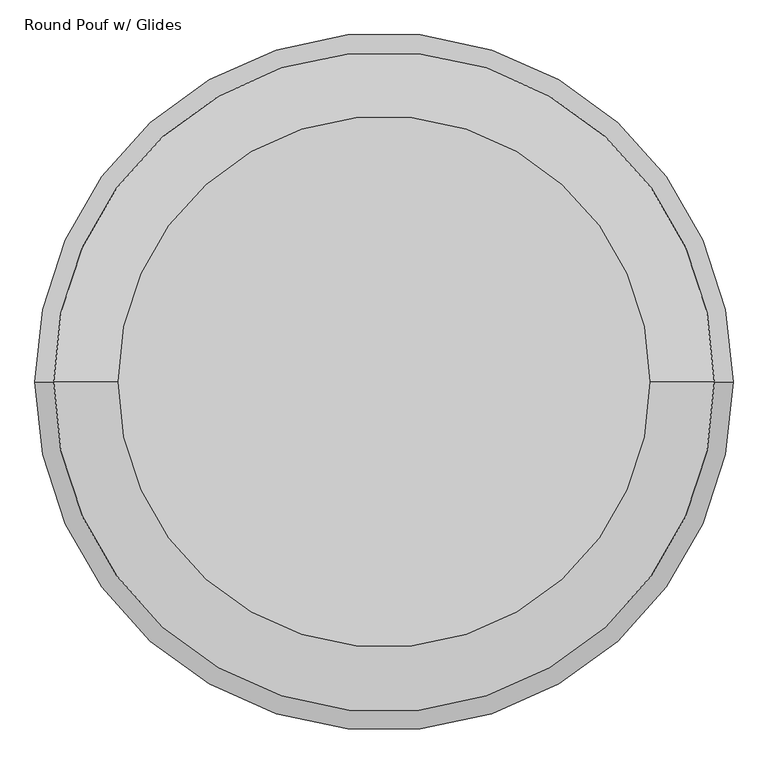
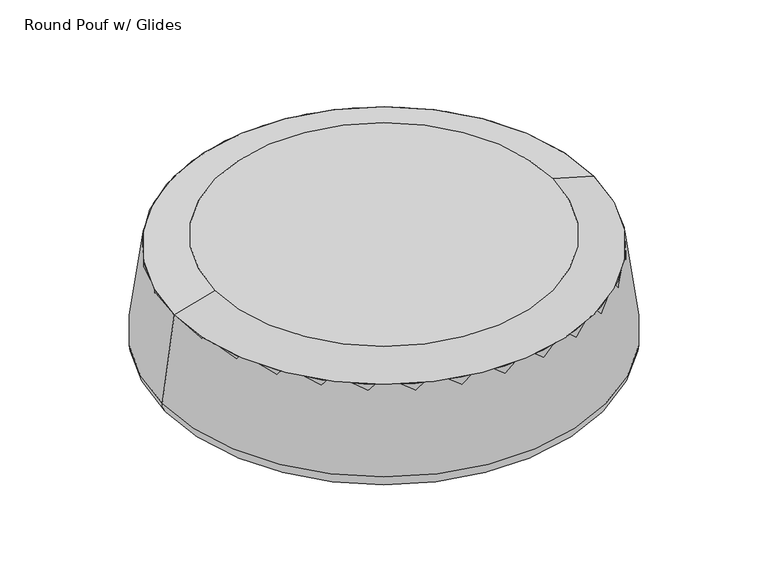
"""IFC4 building model written with IfcOpenShell, lengths in millimetres: furniture geometry, Round Pouf w/ Glides."""

from ifc_helpers import new_model, si_unit, point, frame, frame_2d, origin, origin_with_axes, place, context, project, spatial, polyline, circle_curve, ellipse_curve, trimmed, segment, composite_curve, outline, extrude, source, transform, mapped, element, save
from ifc_brep_helpers import plane_surface, revolved_surface, spline_surface, advanced_brep


def round_pouf_w_glides_9ab8543e(model_context):
    return source(origin(), model_context, "Body", "SolidModel", [
        extrude(outline(composite_curve([segment(trimmed(circle_curve(frame_2d((-534.4558949, 308.4837307)), 31.6215074), [point((-566.0774022, 308.4837307))], [point((-502.8343875, 308.4837307))], False, "CARTESIAN"), True, "CONTINUOUS"), segment(trimmed(circle_curve(frame_2d((-534.4558949, 308.4837307)), 31.6215074), [point((-502.8343875, 308.4837307))], [point((-566.0774022, 308.4837307))], False, "CARTESIAN"), True, "CONTINUOUS")], self_intersect=False)), origin_with_axes(), (0.0, 0.0, 1.0), 9.7030891),
        extrude(outline(composite_curve([segment(trimmed(circle_curve(frame_2d((-0.0078356, 617.0474615)), 31.6215074), [point((-31.6293429, 617.0474615))], [point((31.6136718, 617.0474615))], False, "CARTESIAN"), True, "CONTINUOUS"), segment(trimmed(circle_curve(frame_2d((-0.0078356, 617.0474615)), 31.6215074), [point((31.6136718, 617.0474615))], [point((-31.6293429, 617.0474615))], False, "CARTESIAN"), True, "CONTINUOUS")], self_intersect=False)), origin_with_axes(), (0.0, 0.0, 1.0), 9.7030891),
        extrude(outline(composite_curve([segment(trimmed(circle_curve(frame_2d((534.4402008, 308.4837439)), 31.6215074), [point((502.8186934, 308.4837439))], [point((566.0617081, 308.4837439))], False, "CARTESIAN"), True, "CONTINUOUS"), segment(trimmed(circle_curve(frame_2d((534.4402008, 308.4837439)), 31.6215074), [point((566.0617081, 308.4837439))], [point((502.8186934, 308.4837439))], False, "CARTESIAN"), True, "CONTINUOUS")], self_intersect=False)), origin_with_axes(), (0.0, 0.0, 1.0), 9.7030891),
        extrude(outline(composite_curve([segment(trimmed(circle_curve(frame_2d((534.4402008, -308.6437036)), 31.6215074), [point((502.8186934, -308.6437036))], [point((566.0617081, -308.6437036))], False, "CARTESIAN"), True, "CONTINUOUS"), segment(trimmed(circle_curve(frame_2d((534.4402008, -308.6437036)), 31.6215074), [point((566.0617081, -308.6437036))], [point((502.8186934, -308.6437036))], False, "CARTESIAN"), True, "CONTINUOUS")], self_intersect=False)), origin_with_axes(), (0.0, 0.0, 1.0), 9.7030891),
        extrude(outline(composite_curve([segment(trimmed(circle_curve(frame_2d((-0.0078403, -617.207424)), 31.6215074), [point((-31.6293477, -617.207424))], [point((31.6136671, -617.207424))], False, "CARTESIAN"), True, "CONTINUOUS"), segment(trimmed(circle_curve(frame_2d((-0.0078403, -617.207424)), 31.6215074), [point((31.6136671, -617.207424))], [point((-31.6293477, -617.207424))], False, "CARTESIAN"), True, "CONTINUOUS")], self_intersect=False)), origin_with_axes(), (0.0, 0.0, 1.0), 9.7030891),
        extrude(outline(composite_curve([segment(trimmed(circle_curve(frame_2d((-534.4558996, -308.6436931)), 31.6215074), [point((-566.0774069, -308.6436931))], [point((-502.8343922, -308.6436931))], False, "CARTESIAN"), True, "CONTINUOUS"), segment(trimmed(circle_curve(frame_2d((-534.4558996, -308.6436931)), 31.6215074), [point((-502.8343922, -308.6436931))], [point((-566.0774069, -308.6436931))], False, "CARTESIAN"), True, "CONTINUOUS")], self_intersect=False)), origin_with_axes(), (0.0, 0.0, 1.0), 9.7030891),
        advanced_brep(
        [(781.05, -0.0797427, 9.7030891), (-781.05, -0.0797427, 9.7030891), (-781.05, -0.0797427, 399.5872012), (781.05, -0.0797427, 399.5872012), (-825.4997254, -0.0797427, 66.654825), (825.4997254, -0.0797427, 66.654825)],
        [
            (0, 1, circle_curve(frame((0.0, -0.0797427, 9.7030891), z_axis=(0.0, 0.0, -1.0), x_axis=(-1.0, 0.0, 0.0)), 781.05)),
            (1, 2),
            (2, 3, circle_curve(frame((0.0, -0.0797427, 399.5872012), z_axis=(0.0, 0.0, 1.0), x_axis=(-1.0, 0.0, 0.0)), 781.05)),
            (3, 0),
            (1, 0, circle_curve(frame((0.0, -0.0797427, 9.7030891), z_axis=(0.0, 0.0, -1.0), x_axis=(1.0, 0.0, 0.0)), 781.05)),
            (3, 2, circle_curve(frame((0.0, -0.0797427, 399.5872012), z_axis=(0.0, 0.0, 1.0), x_axis=(1.0, 0.0, 0.0)), 781.05)),
            (2, 4, circle_curve(frame((923.9244519, -0.0797427, 2.5230277), z_axis=(0.0, -1.0, 0.0), x_axis=(-1.0, 0.0, 0.0)), 1750.5992801)),
            (4, 5, circle_curve(frame((0.0, -0.0797427, 66.654825), z_axis=(0.0, 0.0, 1.0), x_axis=(-1.0, 0.0, 0.0)), 825.4997254)),
            (5, 3, circle_curve(frame((-923.9244519, -0.0797427, 2.5230277), z_axis=(0.0, -1.0, 0.0), x_axis=(1.0, 0.0, 0.0)), 1750.5992801)),
            (5, 4, circle_curve(frame((0.0, -0.0797427, 66.654825), z_axis=(0.0, 0.0, 1.0), x_axis=(1.0, 0.0, 0.0)), 825.4997254)),
            (4, 1, circle_curve(frame((-769.4236854, -0.0797427, 64.5991445), z_axis=(0.0, -1.0, 0.0), x_axis=(-1.0, 0.0, 0.0)), 56.1137067)),
            (0, 5, circle_curve(frame((769.4236854, -0.0797427, 64.5991445), z_axis=(0.0, -1.0, 0.0), x_axis=(1.0, 0.0, 0.0)), 56.1137067)),
        ],
        [
            revolved_surface(polyline([(-781.05, -0.0797427, 399.5872012), (-781.05, -0.0797427, 9.7030891)]), (0.0, -0.0797427, 399.5872012), (0.0, 0.0, 1.0)),
            revolved_surface(polyline([(781.05, -0.0797427, 399.5872012), (781.05, -0.0797427, 9.7030891)]), (0.0, -0.0797427, 399.5872012), (0.0, 0.0, 1.0)),
            revolved_surface(trimmed(ellipse_curve(frame((923.9244519, -0.0797427, 2.5230277), z_axis=(0.0, 1.0, 0.0), x_axis=(-1.0, 0.0, 0.0)), 1750.5992801, 1750.5992801), [point((-825.4997254, -0.0797427, 66.654825))], [point((-781.05, -0.0797427, 399.5872012))], True, "CARTESIAN"), (0.0, -0.0797427, 399.5872012), (0.0, 0.0, 1.0)),
            revolved_surface(trimmed(ellipse_curve(frame((-923.9244519, -0.0797427, 2.5230277), z_axis=(0.0, -1.0, 0.0), x_axis=(1.0, 0.0, 0.0)), 1750.5992801, 1750.5992801), [point((825.4997254, -0.0797427, 66.654825))], [point((781.05, -0.0797427, 399.5872012))], True, "CARTESIAN"), (0.0, -0.0797427, 399.5872012), (0.0, 0.0, 1.0)),
            revolved_surface(trimmed(ellipse_curve(frame((-769.4236854, -0.0797427, 64.5991445), z_axis=(0.0, 1.0, 0.0), x_axis=(-1.0, 0.0, 0.0)), 56.1137067, 56.1137067), [point((-781.05, -0.0797427, 9.7030891))], [point((-825.4997254, -0.0797427, 66.654825))], True, "CARTESIAN"), (0.0, -0.0797427, 399.5872012), (0.0, 0.0, 1.0)),
            revolved_surface(trimmed(ellipse_curve(frame((769.4236854, -0.0797427, 64.5991445), z_axis=(0.0, -1.0, 0.0), x_axis=(1.0, 0.0, 0.0)), 56.1137067, 56.1137067), [point((781.05, -0.0797427, 9.7030891))], [point((825.4997254, -0.0797427, 66.654825))], True, "CARTESIAN"), (0.0, -0.0797427, 399.5872012), (0.0, 0.0, 1.0)),
        ],
        [
            (0, [[1, 2, 3, 4]]),
            (1, [[5, -4, 6, -2]]),
            (2, [[-3, 7, 8, 9]]),
            (3, [[-6, -9, 10, -7]]),
            (4, [[-8, 11, -1, 12]]),
            (5, [[-10, -12, -5, -11]]),
        ],
    ),
        advanced_brep(
        [(-628.5702573, 0.0, 442.9184226), (628.5702573, 0.0, 442.9184226), (-781.05, -0.0797427, 399.5872012), (781.05, -0.0797427, 399.5872012)],
        [
            (0, 1, circle_curve(frame((0.0, 0.0, 442.9184226), z_axis=(0.0, 0.0, 1.0), x_axis=(1.0, 0.0, 0.0)), 628.5702573)),
            (1, 0, circle_curve(frame((0.0, 0.0, 442.9184226), z_axis=(0.0, 0.0, 1.0), x_axis=(1.0, 0.0, 0.0)), 628.5702573)),
            (2, 3, circle_curve(frame((0.0, -0.0797427, 399.5872012), z_axis=(0.0, 0.0, -1.0), x_axis=(1.0, 0.0, 0.0)), 781.05)),
            (3, 2, circle_curve(frame((0.0, -0.0797427, 399.5872012), z_axis=(0.0, 0.0, -1.0), x_axis=(1.0, 0.0, 0.0)), 781.05)),
            (3, 1),
            (0, 2),
        ],
        [
            plane_surface(frame((0.0, 0.0, 442.9184226), z_axis=(0.0, 0.0, 1.0), x_axis=(0.0, -1.0, 0.0))),
            plane_surface(frame((0.0, -0.0797427, 399.5872012), z_axis=(0.0, 0.0, -1.0), x_axis=(0.0, -1.0, 0.0))),
            spline_surface(2, 1, [[(-781.05, -0.0797427, 399.5872012), (-628.5702573, 0.0, 442.9184226)], [(-781.05, -781.1297427, 399.5872012), (-628.5702573, -628.5702573, 442.9184226)], [(0.0, -781.1297427, 399.5872012), (0.0, -628.5702573, 442.9184226)], [(781.05, -781.1297427, 399.5872012), (628.5702573, -628.5702573, 442.9184226)], [(781.05, -0.0797427, 399.5872012), (628.5702573, 0.0, 442.9184226)]], [3, 2, 3], [2, 2], [0.0, 1.0, 2.0], [0.0, 1.0], weights=[[1.0, 1.0], [0.7071067811865476, 0.7071067811865476], [1.0, 1.0], [0.7071067811865476, 0.7071067811865476], [1.0, 1.0]]),
            spline_surface(2, 1, [[(781.05, -0.0797427, 399.5872012), (628.5702573, 0.0, 442.9184226)], [(781.05, 780.9702573, 399.5872012), (628.5702573, 628.5702573, 442.9184226)], [(0.0, 780.9702573, 399.5872012), (0.0, 628.5702573, 442.9184226)], [(-781.05, 780.9702573, 399.5872012), (-628.5702573, 628.5702573, 442.9184226)], [(-781.05, -0.0797427, 399.5872012), (-628.5702573, 0.0, 442.9184226)]], [3, 2, 3], [2, 2], [0.0, 1.0, 2.0], [0.0, 1.0], weights=[[1.0, 1.0], [0.7071067811865476, 0.7071067811865476], [1.0, 1.0], [0.7071067811865476, 0.7071067811865476], [1.0, 1.0]]),
        ],
        [
            (0, [[1, 2]]),
            (1, [[3, 4]]),
            (2, [[-4, 5, -1, 6]]),
            (3, [[-3, -6, -2, -5]]),
        ],
    ),
        extrude(outline(composite_curve([segment(trimmed(circle_curve(frame_2d((0.0, -0.0797427)), 781.05), [point((-781.05, -0.0797427))], [point((781.05, -0.0797427))], False, "CARTESIAN"), True, "CONTINUOUS"), segment(trimmed(circle_curve(frame_2d((0.0, -0.0797427)), 781.05), [point((781.05, -0.0797427))], [point((-781.05, -0.0797427))], False, "CARTESIAN"), True, "CONTINUOUS")], self_intersect=False)), frame((0.0, 0.0, 9.7030891), z_axis=(0.0, 0.0, 1.0), x_axis=(1.0, 0.0, 0.0)), (0.0, 0.0, 1.0), 389.8841121),
    ])


if __name__ == "__main__":
    model = new_model("IFC4")
    model_context = context("Model", 3, world=origin())
    ifc_project = project(units=[si_unit("LENGTHUNIT", "METRE", prefix="MILLI")], contexts=[model_context])
    site = spatial("IfcSite", under=ifc_project)
    building = spatial("IfcBuilding", under=site)
    placement = place(None, origin())
    round_pouf_w_glides_shape = round_pouf_w_glides_9ab8543e(model_context)
    element("IfcFurniture", 1, ObjectType="Round Pouf w/ Glides", at=placement, inside=building, context=model_context, shape_type="MappedRepresentation", body=[
        mapped(round_pouf_w_glides_shape, transform((0.0, 0.0, 0.0), x_axis=(1.0, 0.0, 0.0), y_axis=(0.0, 1.0, 0.0), z_axis=(0.0, 0.0, 1.0))),
    ])
    save(model, "model.ifc")
